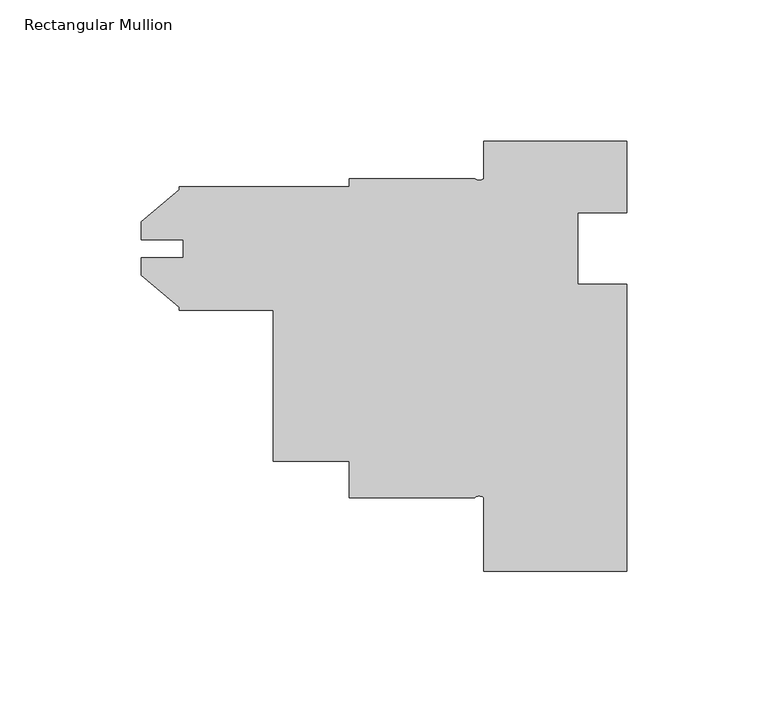
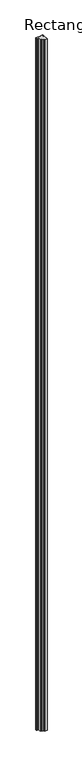
"""IFC4 building model written with IfcOpenShell, lengths in millimetres: member geometry, Rectangular Mullion."""

from ifc_helpers import new_model, si_unit, point, frame, frame_2d, origin, place, context, project, spatial, polyline, circle_curve, trimmed, segment, composite_curve, outline, extrude, source, transform, mapped, element, save


def rectangular_mullion_3a11bac0(model_context):
    return source(origin(), model_context, "Body", "SweptSolid", [
        extrude(outline(composite_curve([segment(polyline([(25.4, -25.4), (7.9502, -25.4), (7.9502, -50.8), (25.4, -50.8), (25.4, -152.4), (-25.4, -152.4), (-25.4, -126.39294)]), True, "CONTINUOUS"), segment(trimmed(circle_curve(frame_2d((-26.9875, -128.1551973)), 2.3718573), [point((-25.4, -126.39294))], [point((-28.575, -126.39294))], True, "CARTESIAN"), True, "CONTINUOUS"), segment(polyline([(-28.575, -126.39294), (-73.025, -126.38786), (-73.025, -113.51514), (-99.9998, -113.51514), (-99.9998, -59.9948), (-133.35, -59.9948), (-133.35, -58.9282933), (-146.812, -47.632334), (-146.812, -41.282334), (-131.7752, -41.282334), (-131.7752, -34.9379445), (-146.812, -34.9379445), (-146.812, -28.567666), (-133.35, -17.2717067), (-133.35, -16.2052), (-73.025, -16.2052), (-73.025, -13.31214), (-28.575, -13.31214)]), True, "CONTINUOUS"), segment(trimmed(circle_curve(frame_2d((-26.9875, -11.5498827)), 2.3718573), [point((-28.575, -13.31214))], [point((-25.4, -13.31214))], True, "CARTESIAN"), True, "CONTINUOUS"), segment(polyline([(-25.4, -13.31214), (-25.4, 0.0), (25.4, 0.0), (25.4, -25.4)]), True, "CONTINUOUS")], self_intersect=False)), frame((0.0, 0.0, -15711.5380959), z_axis=(0.0, 0.0, 1.0), x_axis=(1.0, 0.0, 0.0)), (0.0, 0.0, 1.0), 15711.5380959),
    ])


if __name__ == "__main__":
    model = new_model("IFC4")
    model_context = context("Model", 3, world=origin())
    ifc_project = project(units=[si_unit("LENGTHUNIT", "METRE", prefix="MILLI")], contexts=[model_context])
    site = spatial("IfcSite", under=ifc_project)
    building = spatial("IfcBuilding", under=site)
    placement = place(None, origin())
    rectangular_mullion_shape = rectangular_mullion_3a11bac0(model_context)
    element("IfcMember", 1, ObjectType="Rectangular Mullion", at=placement, inside=building, context=model_context, shape_type="MappedRepresentation", body=[
        mapped(rectangular_mullion_shape, transform((0.0, 0.0, 0.0), x_axis=(1.0, 0.0, 0.0), y_axis=(0.0, 1.0, 0.0), z_axis=(0.0, 0.0, 1.0))),
    ])
    save(model, "model.ifc")
